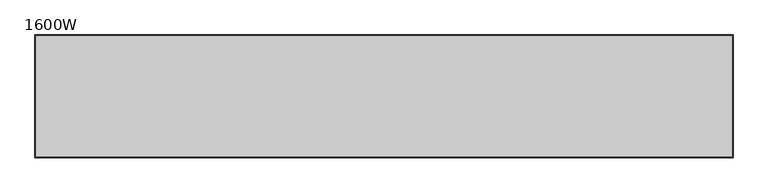
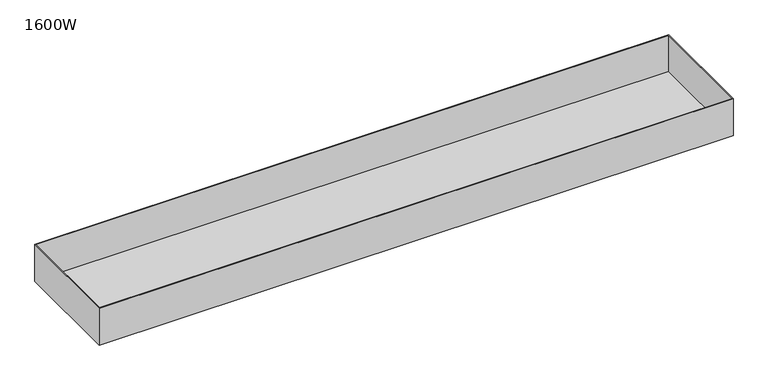
"""IFC4 building model written with IfcOpenShell, lengths in millimetres: furniture geometry, 1600W."""

from ifc_helpers import new_model, si_unit, origin, place, context, project, spatial, faceted_brep, source, transform, mapped, element, save


def furniture_1600w_27d3f17a(model_context):
    return source(origin(), model_context, "Body", "Brep", [
        faceted_brep([(-710.0, 125.0, 435.0), (-710.0, -125.0, 435.0), (-710.0, -125.0, 522.0), (-710.0, 125.0, 522.0), (710.0, 125.0, 435.0), (710.0, 125.0, 522.0), (710.0, -125.0, 522.0), (710.0, -125.0, 435.0), (-708.0, -123.0, 522.0), (-708.0, 123.0, 522.0), (708.0, 123.0, 522.0), (708.0, -123.0, 522.0), (708.0, -123.0, 437.0), (708.0, 123.0, 437.0), (-708.0, 123.0, 437.0), (-708.0, -123.0, 437.0)], [[[0, 1, 2, 3]], [[4, 5, 6, 7]], [[3, 5, 4, 0]], [[2, 6, 5, 3], [8, 9, 10, 11]], [[1, 7, 6, 2]], [[0, 4, 7, 1]], [[12, 13, 14, 15]], [[15, 8, 11, 12]], [[14, 9, 8, 15]], [[13, 10, 9, 14]], [[12, 11, 10, 13]]]),
    ])


if __name__ == "__main__":
    model = new_model("IFC4")
    model_context = context("Model", 3, world=origin())
    ifc_project = project(units=[si_unit("LENGTHUNIT", "METRE", prefix="MILLI")], contexts=[model_context])
    site = spatial("IfcSite", under=ifc_project)
    building = spatial("IfcBuilding", under=site)
    placement = place(None, origin())
    furniture_1600w_shape = furniture_1600w_27d3f17a(model_context)
    element("IfcFurniture", 1, ObjectType="1600W", at=placement, inside=building, context=model_context, shape_type="MappedRepresentation", body=[
        mapped(furniture_1600w_shape, transform((0.0, 0.0, 0.0), x_axis=(1.0, 0.0, 0.0), y_axis=(0.0, 1.0, 0.0), z_axis=(0.0, 0.0, 1.0))),
    ])
    save(model, "model.ifc")
